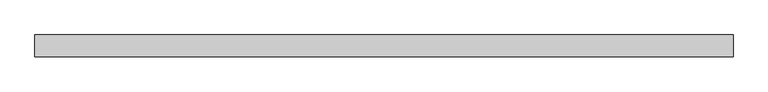
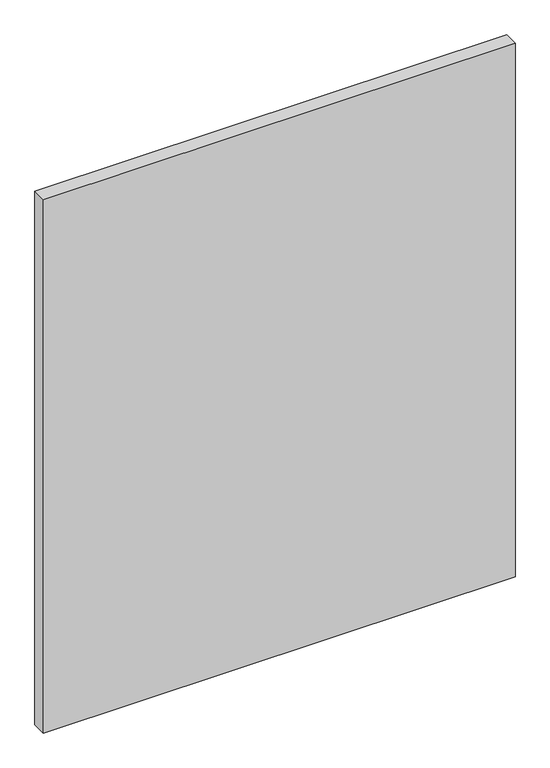
"""IFC4 building model written with IfcOpenShell, lengths in millimetres: plate geometry."""

from ifc_helpers import new_model, si_unit, origin, origin_with_axes, place, context, project, spatial, polyline, outline, extrude, source, transform, mapped, element, save


def plate_1732cab8(model_context):
    return source(origin(), model_context, "Body", "SweptSolid", [
        extrude(outline(polyline([(794.3168429, -25.0), (-794.3168429, -25.0), (-794.3168429, 25.0), (794.3168429, 25.0), (794.3168429, -25.0)])), origin_with_axes(), (0.0, 0.0, 1.0), 1900.0),
    ])


if __name__ == "__main__":
    model = new_model("IFC4")
    model_context = context("Model", 3, world=origin())
    ifc_project = project(units=[si_unit("LENGTHUNIT", "METRE", prefix="MILLI")], contexts=[model_context])
    site = spatial("IfcSite", under=ifc_project)
    building = spatial("IfcBuilding", under=site)
    placement = place(None, origin())
    plate_shape = plate_1732cab8(model_context)
    element("IfcPlate", 1, at=placement, inside=building, context=model_context, shape_type="MappedRepresentation", body=[
        mapped(plate_shape, transform((0.0, 0.0, 0.0), x_axis=(1.0, 0.0, 0.0), y_axis=(0.0, 1.0, 0.0), z_axis=(0.0, 0.0, 1.0))),
    ])
    save(model, "model.ifc")
